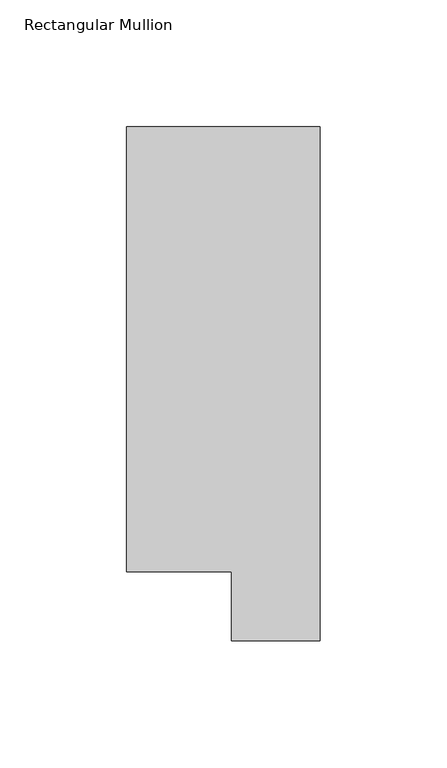
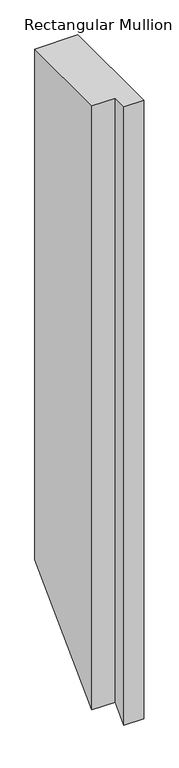
"""IFC4 building model written with IfcOpenShell, lengths in millimetres: member geometry, Rectangular Mullion."""

from ifc_helpers import new_model, si_unit, origin, place, context, project, spatial, faceted_brep, source, transform, mapped, element, save


def rectangular_mullion_cbaf9056(model_context):
    return source(origin(), model_context, "Body", "Brep", [
        faceted_brep([(0.0, 222.0301313, 0.0), (-76.2, 222.0301313, 0.0), (-76.2, 46.7447302, 0.0), (-34.9123, 46.7447302, 0.0), (-34.9123, 19.5667312, 0.0), (0.0, 19.5667312, 0.0), (0.0, 222.0301313, -959.3892916), (-76.2, 222.0301313, -959.3892916), (-76.2, 46.7447302, -1134.6746927), (-34.9123, 46.7447302, -1134.6746927), (-34.9123, 19.5667312, -1161.8526916), (0.0, 19.5667312, -1161.8526916)], [[[0, 1, 2, 3, 4, 5]], [[1, 0, 6, 7]], [[2, 1, 7, 8]], [[3, 2, 8, 9]], [[4, 3, 9, 10]], [[5, 4, 10, 11]], [[0, 5, 11, 6]], [[6, 11, 10, 9, 8, 7]]]),
    ])


if __name__ == "__main__":
    model = new_model("IFC4")
    model_context = context("Model", 3, world=origin())
    ifc_project = project(units=[si_unit("LENGTHUNIT", "METRE", prefix="MILLI")], contexts=[model_context])
    site = spatial("IfcSite", under=ifc_project)
    building = spatial("IfcBuilding", under=site)
    placement = place(None, origin())
    rectangular_mullion_shape = rectangular_mullion_cbaf9056(model_context)
    element("IfcMember", 1, ObjectType="Rectangular Mullion", at=placement, inside=building, context=model_context, shape_type="MappedRepresentation", body=[
        mapped(rectangular_mullion_shape, transform((0.0, 0.0, 0.0), x_axis=(1.0, 0.0, 0.0), y_axis=(0.0, 1.0, 0.0), z_axis=(0.0, 0.0, 1.0))),
    ])
    save(model, "model.ifc")
